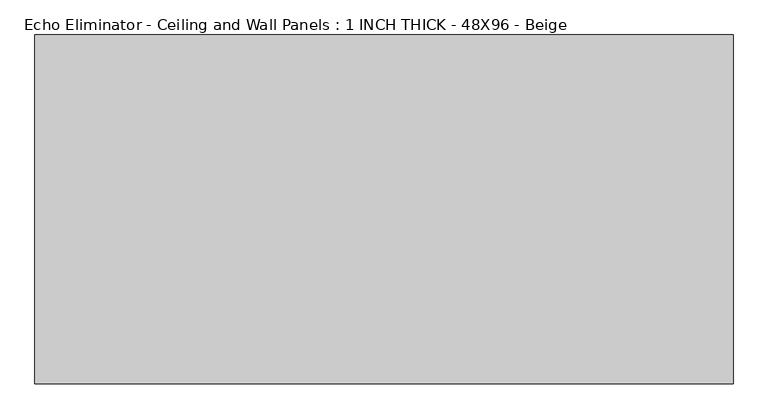
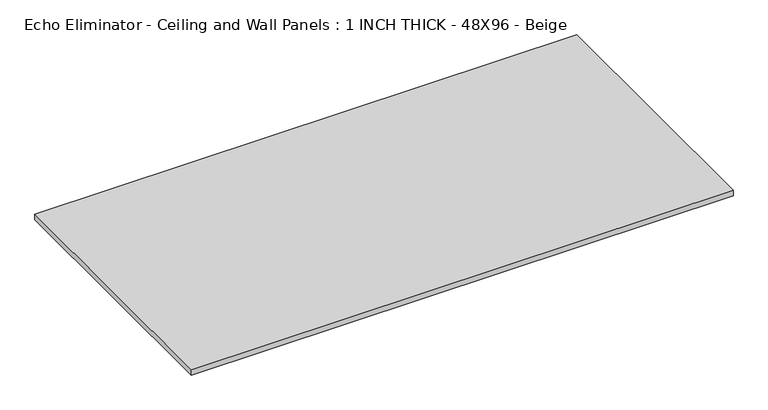
"""IFC4 building model written with IfcOpenShell, lengths in millimetres: proxy geometry, Echo Eliminator - Ceiling and Wall Panels : 1 INCH THICK - 48X96 - Beige."""

from ifc_helpers import new_model, si_unit, origin, origin_with_axes, place, context, project, spatial, polyline, outline, extrude, source, transform, mapped, element, save


def echo_eliminator_ceiling_and_wall_panels_1_inch_thick_48x96_11abb7a7(model_context):
    return source(origin(), model_context, "Body", "SweptSolid", [
        extrude(outline(polyline([(-1219.2, 609.6), (1219.2, 609.6), (1219.2, -609.6), (-1219.2, -609.6), (-1219.2, 609.6)])), origin_with_axes(), (0.0, 0.0, 1.0), 25.4),
    ])


if __name__ == "__main__":
    model = new_model("IFC4")
    model_context = context("Model", 3, world=origin())
    ifc_project = project(units=[si_unit("LENGTHUNIT", "METRE", prefix="MILLI")], contexts=[model_context])
    site = spatial("IfcSite", under=ifc_project)
    building = spatial("IfcBuilding", under=site)
    placement = place(None, origin())
    echo_eliminator_ceiling_and_wall_panels_1_inch_thick_48x96_shape = echo_eliminator_ceiling_and_wall_panels_1_inch_thick_48x96_11abb7a7(model_context)
    element("IfcBuildingElementProxy", 1, Name="Echo Eliminator - Ceiling and Wall Panels : 1 INCH THICK - 48X96 - Beige", ObjectType="Echo Eliminator - Ceiling and Wall Panels : 1 INCH THICK - 48X96 - Beige", at=placement, inside=building, context=model_context, shape_type="MappedRepresentation", body=[
        mapped(echo_eliminator_ceiling_and_wall_panels_1_inch_thick_48x96_shape, transform((0.0, 0.0, 0.0), x_axis=(1.0, 0.0, 0.0), y_axis=(0.0, 1.0, 0.0), z_axis=(0.0, 0.0, 1.0))),
    ])
    save(model, "model.ifc")
